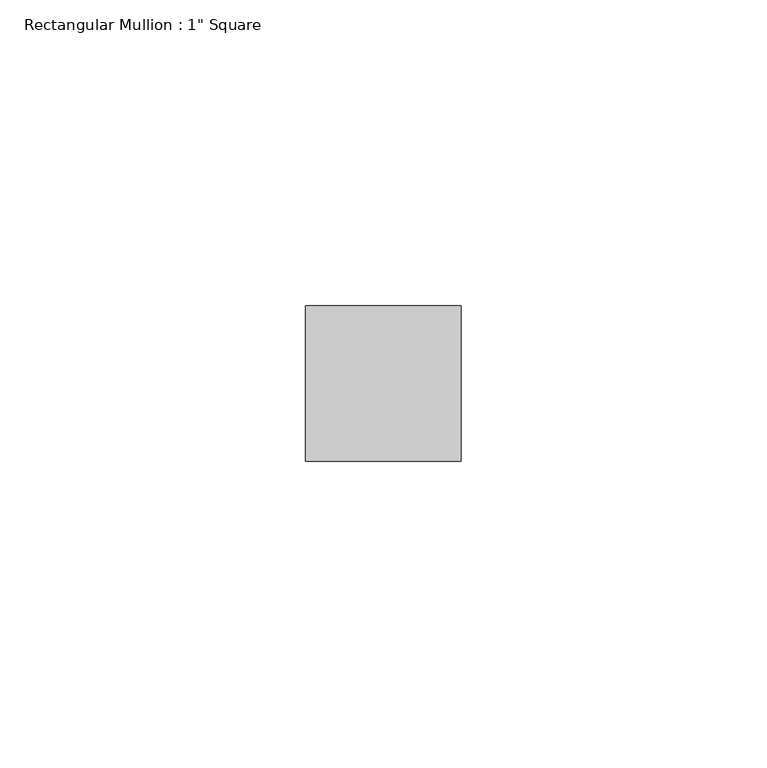
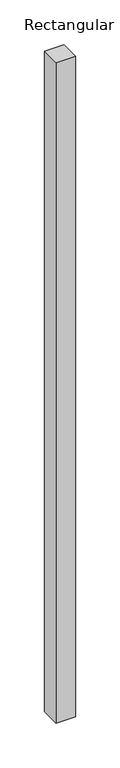
"""IFC4 building model written with IfcOpenShell, lengths in millimetres: member geometry."""

from ifc_helpers import new_model, si_unit, frame, origin, place, context, project, spatial, polyline, outline, extrude, source, transform, mapped, element, save


def member_179e4c6c(model_context):
    return source(origin(), model_context, "Body", "SweptSolid", [
        extrude(outline(polyline([(12.7, 12.7), (12.7, -12.7), (-12.7, -12.7), (-12.7, 12.7), (12.7, 12.7)])), frame((0.0, 0.0, -901.7000003), z_axis=(0.0, 0.0, 1.0), x_axis=(1.0, 0.0, 0.0)), (0.0, 0.0, 1.0), 901.7000003),
    ])


if __name__ == "__main__":
    model = new_model("IFC4")
    model_context = context("Model", 3, world=origin())
    ifc_project = project(units=[si_unit("LENGTHUNIT", "METRE", prefix="MILLI")], contexts=[model_context])
    site = spatial("IfcSite", under=ifc_project)
    building = spatial("IfcBuilding", under=site)
    placement = place(None, origin())
    member_shape = member_179e4c6c(model_context)
    element("IfcMember", 1, ObjectType="Rectangular Mullion : 1\" Square", at=placement, inside=building, context=model_context, shape_type="MappedRepresentation", body=[
        mapped(member_shape, transform((0.0, 0.0, 0.0), x_axis=(1.0, 0.0, 0.0), y_axis=(0.0, 1.0, 0.0), z_axis=(0.0, 0.0, 1.0))),
    ])
    save(model, "model.ifc")
